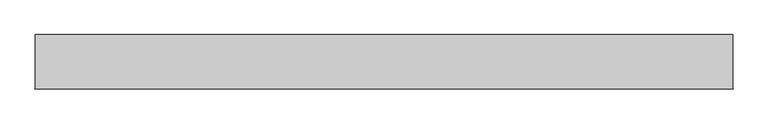
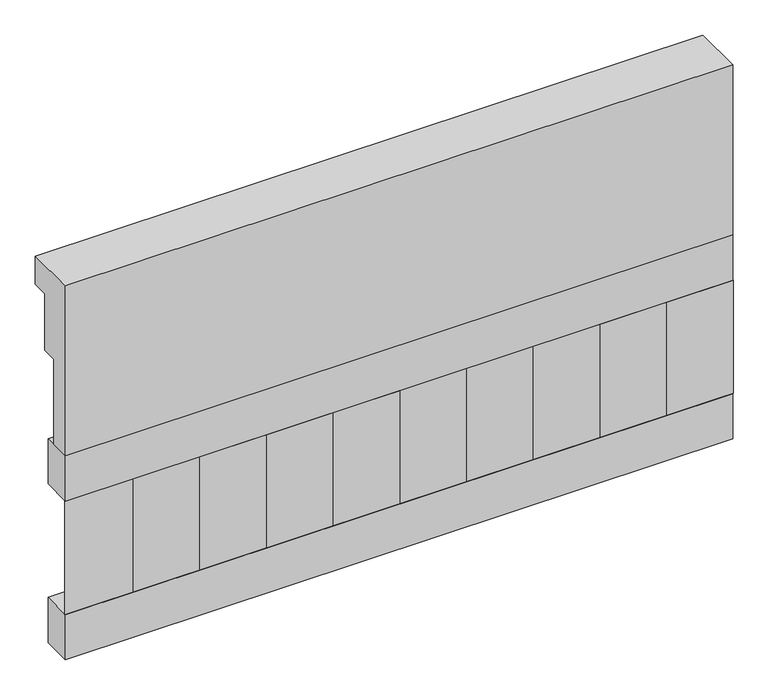
"""IFC4 building model written with IfcOpenShell, lengths in millimetres: railing geometry."""

from ifc_helpers import new_model, si_unit, frame, origin, place, context, project, spatial, polyline, outline, extrude, source, transform, mapped, element, save


def railing_111b50eb(model_context):
    return source(origin(), model_context, "Body", "SweptSolid", [
        extrude(outline(polyline([(903.1079487, 28400.0), (1033.1079487, 28400.0), (1033.1079487, 28325.0), (993.1079487, 28325.0), (993.1079487, 28175.0), (953.1079487, 28175.0), (953.1079487, 27950.0), (903.1079487, 27950.0), (903.1079487, 28400.0)])), frame((26190.0112841, 0.0, 0.0), z_axis=(1.0, 0.0, 0.0), x_axis=(0.0, 1.0, 0.0)), (0.0, 0.0, 1.0), 1670.0),
        extrude(outline(polyline([(27860.0112841, 978.1079487), (27860.0112841, 903.1079487), (26190.0112841, 903.1079487), (26190.0112841, 978.1079487), (27860.0112841, 978.1079487)])), frame((0.0, 0.0, 27830.0), z_axis=(0.0, 0.0, 1.0), x_axis=(1.0, 0.0, 0.0)), (0.0, 0.0, 1.0), 120.0),
        extrude(outline(polyline([(27860.0112841, 978.1079487), (27860.0112841, 903.1079487), (26190.0112841, 903.1079487), (26190.0112841, 978.1079487), (27860.0112841, 978.1079487)])), frame((0.0, 0.0, 27410.0), z_axis=(0.0, 0.0, 1.0), x_axis=(1.0, 0.0, 0.0)), (0.0, 0.0, 1.0), 120.0),
        extrude(outline(polyline([(26273.5112841, 987.9607624), (26358.3640978, 903.1079487), (26188.6584704, 903.1079487), (26273.5112841, 987.9607624)])), frame((0.0, 0.0, 27530.0), z_axis=(0.0, 0.0, 1.0), x_axis=(1.0, 0.0, 0.0)), (0.0, 0.0, 1.0), 300.0),
        extrude(outline(polyline([(26440.5112841, 987.9607624), (26525.3640978, 903.1079487), (26355.6584704, 903.1079487), (26440.5112841, 987.9607624)])), frame((0.0, 0.0, 27530.0), z_axis=(0.0, 0.0, 1.0), x_axis=(1.0, 0.0, 0.0)), (0.0, 0.0, 1.0), 300.0),
        extrude(outline(polyline([(26607.5112841, 987.9607624), (26692.3640978, 903.1079487), (26522.6584704, 903.1079487), (26607.5112841, 987.9607624)])), frame((0.0, 0.0, 27530.0), z_axis=(0.0, 0.0, 1.0), x_axis=(1.0, 0.0, 0.0)), (0.0, 0.0, 1.0), 300.0),
        extrude(outline(polyline([(26774.5112841, 987.9607624), (26859.3640978, 903.1079487), (26689.6584704, 903.1079487), (26774.5112841, 987.9607624)])), frame((0.0, 0.0, 27530.0), z_axis=(0.0, 0.0, 1.0), x_axis=(1.0, 0.0, 0.0)), (0.0, 0.0, 1.0), 300.0),
        extrude(outline(polyline([(26941.5112841, 987.9607624), (27026.3640978, 903.1079487), (26856.6584704, 903.1079487), (26941.5112841, 987.9607624)])), frame((0.0, 0.0, 27530.0), z_axis=(0.0, 0.0, 1.0), x_axis=(1.0, 0.0, 0.0)), (0.0, 0.0, 1.0), 300.0),
        extrude(outline(polyline([(27108.5112841, 987.9607624), (27193.3640978, 903.1079487), (27023.6584704, 903.1079487), (27108.5112841, 987.9607624)])), frame((0.0, 0.0, 27530.0), z_axis=(0.0, 0.0, 1.0), x_axis=(1.0, 0.0, 0.0)), (0.0, 0.0, 1.0), 300.0),
        extrude(outline(polyline([(27275.5112841, 987.9607624), (27360.3640978, 903.1079487), (27190.6584704, 903.1079487), (27275.5112841, 987.9607624)])), frame((0.0, 0.0, 27530.0), z_axis=(0.0, 0.0, 1.0), x_axis=(1.0, 0.0, 0.0)), (0.0, 0.0, 1.0), 300.0),
        extrude(outline(polyline([(27442.5112841, 987.9607624), (27527.3640978, 903.1079487), (27357.6584704, 903.1079487), (27442.5112841, 987.9607624)])), frame((0.0, 0.0, 27530.0), z_axis=(0.0, 0.0, 1.0), x_axis=(1.0, 0.0, 0.0)), (0.0, 0.0, 1.0), 300.0),
        extrude(outline(polyline([(27609.5112841, 987.9607624), (27694.3640978, 903.1079487), (27524.6584704, 903.1079487), (27609.5112841, 987.9607624)])), frame((0.0, 0.0, 27530.0), z_axis=(0.0, 0.0, 1.0), x_axis=(1.0, 0.0, 0.0)), (0.0, 0.0, 1.0), 300.0),
        extrude(outline(polyline([(27776.5112841, 987.9607624), (27861.3640978, 903.1079487), (27691.6584704, 903.1079487), (27776.5112841, 987.9607624)])), frame((0.0, 0.0, 27530.0), z_axis=(0.0, 0.0, 1.0), x_axis=(1.0, 0.0, 0.0)), (0.0, 0.0, 1.0), 300.0),
    ])


if __name__ == "__main__":
    model = new_model("IFC4")
    model_context = context("Model", 3, world=origin())
    ifc_project = project(units=[si_unit("LENGTHUNIT", "METRE", prefix="MILLI")], contexts=[model_context])
    site = spatial("IfcSite", under=ifc_project)
    building = spatial("IfcBuilding", under=site)
    placement = place(None, origin())
    railing_shape = railing_111b50eb(model_context)
    element("IfcRailing", 1, at=placement, inside=building, context=model_context, shape_type="MappedRepresentation", body=[
        mapped(railing_shape, transform((0.0, 0.0, 0.0), x_axis=(1.0, 0.0, 0.0), y_axis=(0.0, 1.0, 0.0), z_axis=(0.0, 0.0, 1.0))),
    ])
    save(model, "model.ifc")
